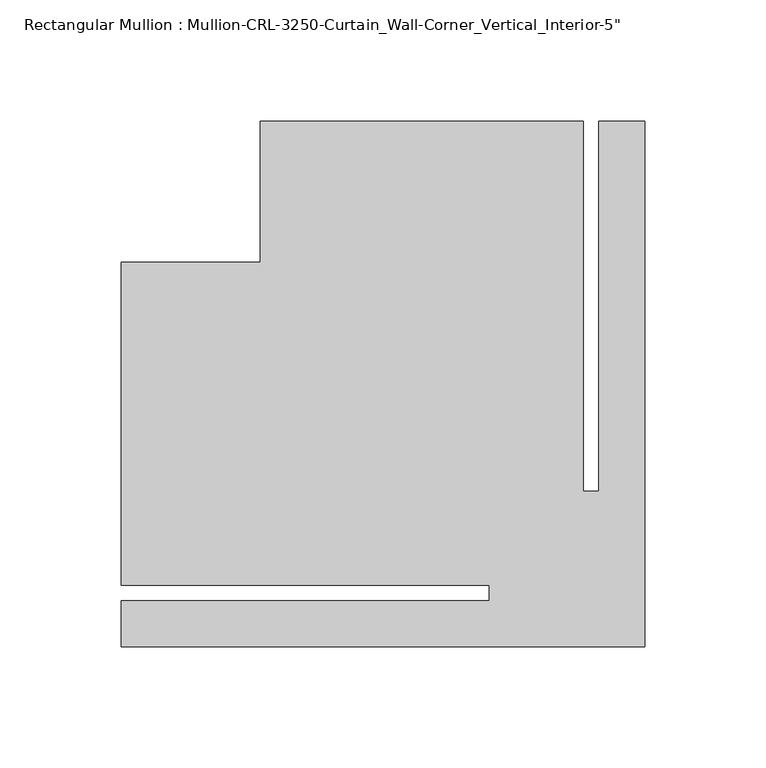
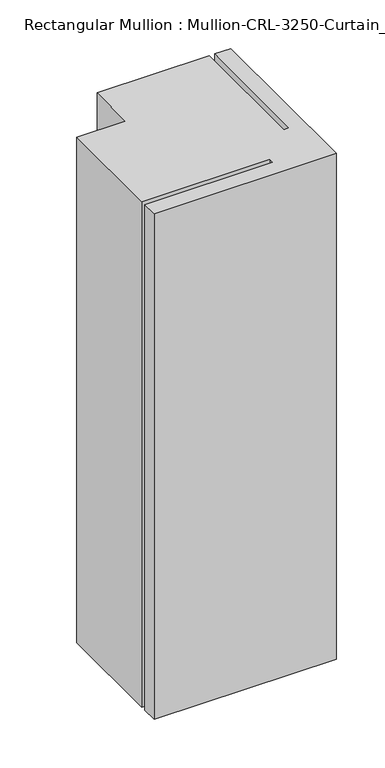
"""IFC4 building model written with IfcOpenShell, lengths in millimetres: member geometry."""

from ifc_helpers import new_model, si_unit, frame, origin, place, context, project, spatial, polyline, outline, extrude, source, transform, mapped, element, save


def member_3f844829(model_context):
    return source(origin(), model_context, "Body", "SweptSolid", [
        extrude(outline(polyline([(0.0, 194.9823889), (0.0, -22.1804076), (-216.274668, -22.1804076), (-216.274668, -3.175), (-64.2269237, -3.175), (-64.2269237, 3.175), (-216.274668, 3.175), (-216.274668, 136.5997242), (-158.7785265, 136.5997242), (-158.7785265, 194.9823889), (-25.3711738, 194.9823889), (-25.3711738, 42.0465161), (-19.0211738, 42.0465161), (-19.0211738, 194.9823889), (0.0, 194.9823889)])), frame((0.0, 0.0, -635.0), z_axis=(0.0, 0.0, 1.0), x_axis=(1.0, 0.0, 0.0)), (0.0, 0.0, 1.0), 635.0),
    ])


if __name__ == "__main__":
    model = new_model("IFC4")
    model_context = context("Model", 3, world=origin())
    ifc_project = project(units=[si_unit("LENGTHUNIT", "METRE", prefix="MILLI")], contexts=[model_context])
    site = spatial("IfcSite", under=ifc_project)
    building = spatial("IfcBuilding", under=site)
    placement = place(None, origin())
    member_shape = member_3f844829(model_context)
    element("IfcMember", 1, ObjectType="Rectangular Mullion : Mullion-CRL-3250-Curtain_Wall-Corner_Vertical_Interior-5\"", at=placement, inside=building, context=model_context, shape_type="MappedRepresentation", body=[
        mapped(member_shape, transform((0.0, 0.0, 0.0), x_axis=(1.0, 0.0, 0.0), y_axis=(0.0, 1.0, 0.0), z_axis=(0.0, 0.0, 1.0))),
    ])
    save(model, "model.ifc")
